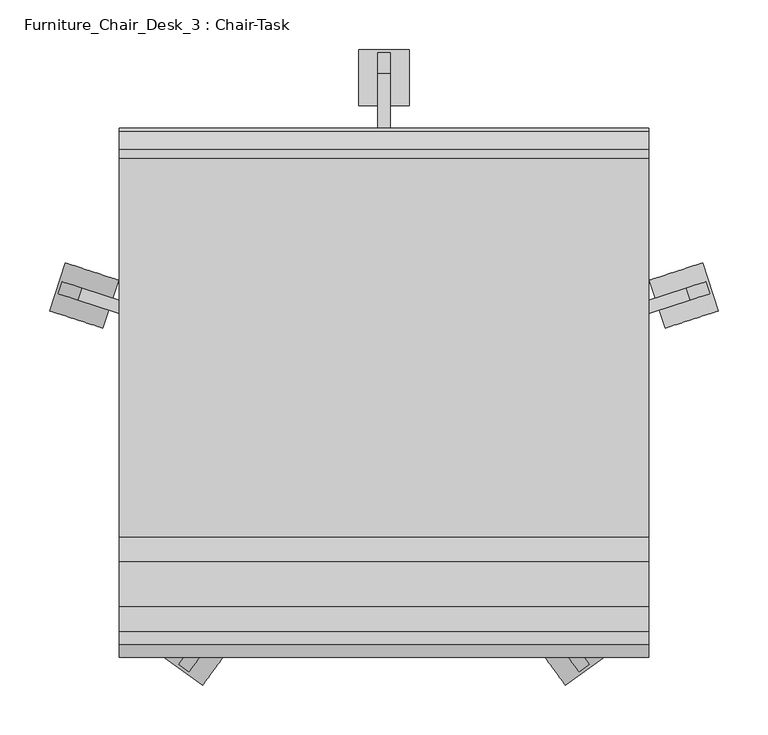
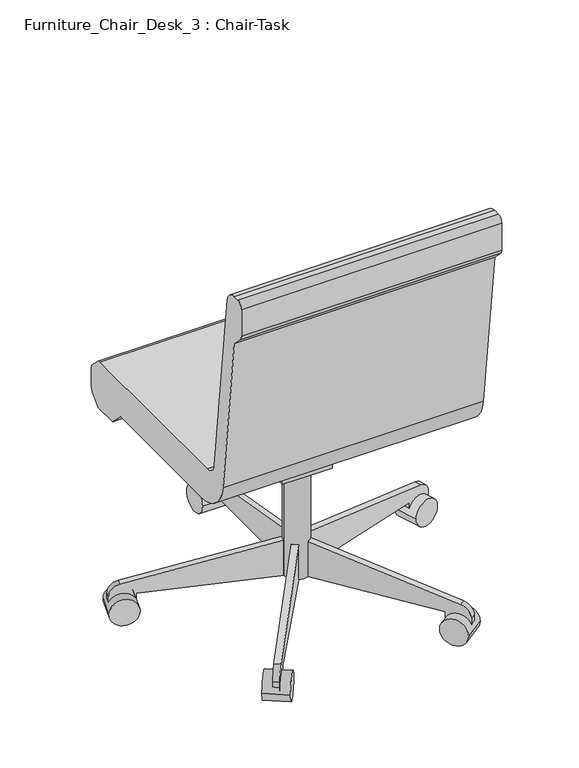
"""IFC4 building model written with IfcOpenShell, lengths in millimetres: furniture geometry, Furniture_Chair_Desk_3 : Chair-Task."""

from ifc_helpers import new_model, si_unit, point, frame, frame_2d, origin, place, context, project, spatial, polyline, circle_curve, trimmed, segment, composite_curve, outline, extrude, source, transform, mapped, element, save


def furniture_chair_desk_3_chair_task_b7f3823b(model_context):
    return source(origin(), model_context, "Body", "SweptSolid", [
        extrude(outline(composite_curve([segment(trimmed(circle_curve(frame_2d((140.9908197, 18.9459016)), 25.4), [point((115.5908197, 18.9459016))], [point((166.3908197, 18.9459016))], False, "CARTESIAN"), True, "CONTINUOUS"), segment(trimmed(circle_curve(frame_2d((140.9908197, 18.9459016)), 25.4), [point((166.3908197, 18.9459016))], [point((115.5908197, 18.9459016))], False, "CARTESIAN"), True, "CONTINUOUS")], self_intersect=False)), frame((0.0, 0.0, 53.5835944), z_axis=(0.0, 0.0, 1.0), x_axis=(1.0, 0.0, 0.0)), (0.0, 0.0, 1.0), 330.5914056),
        extrude(outline(composite_curve([segment(trimmed(circle_curve(frame_2d((0.0, -28.2002727)), 28.2002727), [point((0.0, -56.4005455))], [point((0.0, 0.0))], False, "CARTESIAN"), True, "CONTINUOUS"), segment(trimmed(circle_curve(frame_2d((0.0, -28.2002727)), 28.2002727), [point((0.0, 0.0))], [point((0.0, -56.4005455))], False, "CARTESIAN"), True, "CONTINUOUS")], self_intersect=False)), frame((477.6203484, 101.6163254, 28.1835944), z_axis=(-0.3090169943749423, 0.9510565162951553, 0.0), x_axis=(0.0, 0.0, 1.0)), (0.0, 0.0, 1.0), 50.8),
        extrude(outline(composite_curve([segment(polyline([(-25.4, 0.0), (0.0, 0.0), (0.0, -50.8), (-24.303053, -50.8)]), True, "CONTINUOUS"), segment(trimmed(circle_curve(frame_2d((-24.303053, -25.4)), 25.4), [point((-24.303053, -50.8))], [point((-49.3171699, -29.8106637))], False, "CARTESIAN"), True, "CONTINUOUS"), segment(polyline([(-49.3171699, -29.8106637), (-101.6, 266.7), (-101.6, 292.1), (-25.4, 292.1), (-25.4, 0.0)]), True, "CONTINUOUS")], self_intersect=False)), frame((420.756686, 103.1705568, 28.1835944), z_axis=(-0.3090169943749423, 0.9510565162951553, 0.0), x_axis=(0.0, 0.0, -1.0)), (0.0, 0.0, 1.0), 12.7),
        extrude(outline(composite_curve([segment(trimmed(circle_curve(frame_2d((0.0, -28.2002727)), 28.2002727), [point((0.0, -56.4005455))], [point((0.0, 0.0))], False, "CARTESIAN"), True, "CONTINUOUS"), segment(trimmed(circle_curve(frame_2d((0.0, -28.2002727)), 28.2002727), [point((0.0, 0.0))], [point((0.0, -56.4005455))], False, "CARTESIAN"), True, "CONTINUOUS")], self_intersect=False)), frame((323.63931, -275.6612394, 28.1835944), z_axis=(0.8090169943749499, 0.5877852522924699, 0.0), x_axis=(0.0, 0.0, 1.0)), (0.0, 0.0, 1.0), 50.8),
        extrude(outline(composite_curve([segment(polyline([(-25.4, 0.0), (0.0, 0.0), (0.0, -50.8), (-24.303053, -50.8)]), True, "CONTINUOUS"), segment(trimmed(circle_curve(frame_2d((-24.303053, -25.3999999)), 25.4), [point((-24.303053, -50.8))], [point((-49.3171699, -29.8106636))], False, "CARTESIAN"), True, "CONTINUOUS"), segment(polyline([(-49.3171699, -29.8106636), (-101.6, 266.7), (-101.6, 292.1), (-25.4, 292.1), (-25.4, 0.0)]), True, "CONTINUOUS")], self_intersect=False)), frame((307.545634, -221.1003988, 28.1835944), z_axis=(0.8090169943749499, 0.5877852522924699, 0.0), x_axis=(0.0, 0.0, -1.0)), (0.0, 0.0, 1.0), 12.7),
        extrude(outline(composite_curve([segment(trimmed(circle_curve(frame_2d((0.0, -28.2002727)), 28.2002727), [point((0.0, -56.4005455))], [point((0.0, 0.0))], False, "CARTESIAN"), True, "CONTINUOUS"), segment(trimmed(circle_curve(frame_2d((0.0, -28.2002727)), 28.2002727), [point((0.0, 0.0))], [point((0.0, -56.4005455))], False, "CARTESIAN"), True, "CONTINUOUS")], self_intersect=False)), frame((-41.6576707, -275.6612394, 28.1835944), z_axis=(-0.8090169943749458, 0.5877852522924754, 0.0), x_axis=(0.0, 0.0, -1.0)), (0.0, 0.0, 1.0), 50.8),
        extrude(outline(composite_curve([segment(polyline([(25.4, 0.0), (25.4, 292.1), (101.6, 292.1), (101.6, 266.7), (49.3171699, -29.8106637)]), True, "CONTINUOUS"), segment(trimmed(circle_curve(frame_2d((24.303053, -25.3999999)), 25.4), [point((49.3171699, -29.8106637))], [point((24.303053, -50.8))], False, "CARTESIAN"), True, "CONTINUOUS"), segment(polyline([(24.303053, -50.8), (0.0, -50.8), (0.0, 0.0), (25.4, 0.0)]), True, "CONTINUOUS")], self_intersect=False)), frame((-25.5639946, -221.1003988, 28.1835944), z_axis=(-0.8090169943749459, 0.5877852522924754, 0.0), x_axis=(0.0, 0.0, 1.0)), (0.0, 0.0, 1.0), 12.7),
        extrude(outline(composite_curve([segment(trimmed(circle_curve(frame_2d((0.0, -28.2002727)), 28.2002727), [point((0.0, -56.4005454))], [point((0.0, 0.0))], False, "CARTESIAN"), True, "CONTINUOUS"), segment(trimmed(circle_curve(frame_2d((0.0, -28.2002727)), 28.2002727), [point((0.0, 0.0))], [point((0.0, -56.4005454))], False, "CARTESIAN"), True, "CONTINUOUS")], self_intersect=False)), frame((-195.638709, 101.6163254, 28.1835944), z_axis=(0.3090169943749487, 0.9510565162951532, 0.0), x_axis=(0.0, 0.0, -1.0)), (0.0, 0.0, 1.0), 50.8),
        extrude(outline(composite_curve([segment(polyline([(25.4, 0.0), (25.4, 292.1000001), (101.6, 292.1000001), (101.6, 266.7), (49.3171699, -29.8106636)]), True, "CONTINUOUS"), segment(trimmed(circle_curve(frame_2d((24.303053, -25.4)), 25.4), [point((49.3171699, -29.8106636))], [point((24.303053, -50.8))], False, "CARTESIAN"), True, "CONTINUOUS"), segment(polyline([(24.303053, -50.8), (0.0, -50.8), (0.0, 0.0), (25.4, 0.0)]), True, "CONTINUOUS")], self_intersect=False)), frame((-138.7750467, 103.1705568, 28.1835944), z_axis=(0.3090169943749487, 0.9510565162951532, 0.0), x_axis=(0.0, 0.0, 1.0)), (0.0, 0.0, 1.0), 12.7),
        extrude(outline(composite_curve([segment(trimmed(circle_curve(frame_2d((336.4459016, 28.1835944)), 28.2002727), [point((308.2456289, 28.1835944))], [point((364.6461744, 28.1835944))], False, "CARTESIAN"), True, "CONTINUOUS"), segment(trimmed(circle_curve(frame_2d((336.4459016, 28.1835944)), 28.2002727), [point((364.6461744, 28.1835944))], [point((308.2456289, 28.1835944))], False, "CARTESIAN"), True, "CONTINUOUS")], self_intersect=False)), frame((115.5908197, 0.0, 0.0), z_axis=(1.0, 0.0, 0.0), x_axis=(0.0, 1.0, 0.0)), (0.0, 0.0, 1.0), 50.8),
        extrude(outline(composite_curve([segment(polyline([(311.0459016, 53.5835944), (18.9459016, 53.5835944), (18.9459016, 129.7835944), (44.3459016, 129.7835944), (340.8565654, 77.5007643)]), True, "CONTINUOUS"), segment(trimmed(circle_curve(frame_2d((336.4459016, 52.4866474)), 25.4), [point((340.8565654, 77.5007643))], [point((361.8459016, 52.4866474))], False, "CARTESIAN"), True, "CONTINUOUS"), segment(polyline([(361.8459016, 52.4866474), (361.8459016, 28.1835944), (311.0459016, 28.1835944), (311.0459016, 53.5835944)]), True, "CONTINUOUS")], self_intersect=False)), frame((134.6408197, 0.0, 0.0), z_axis=(1.0, 0.0, 0.0), x_axis=(0.0, 1.0, 0.0)), (0.0, 0.0, 1.0), 12.7),
        extrude(outline(polyline([(69.7459016, 383.7835944), (69.7459016, 371.0835944), (18.9459016, 283.0954134), (-19.1540984, 283.0954134), (-19.1540984, 383.7835944), (69.7459016, 383.7835944)])), frame((90.1908197, 0.0, 0.0), z_axis=(1.0, 0.0, 0.0), x_axis=(0.0, 1.0, 0.0)), (0.0, 0.0, 1.0), 101.6),
        extrude(outline(composite_curve([segment(polyline([(-126.2050455, 457.2), (255.0102301, 457.2)]), True, "CONTINUOUS"), segment(trimmed(circle_curve(frame_2d((255.0102301, 444.5)), 12.7), [point((255.0102301, 457.2))], [point((263.9604301, 453.510212))], False, "CARTESIAN"), True, "CONTINUOUS"), segment(polyline([(263.9604301, 453.510212), (281.8961016, 435.6939999)]), True, "CONTINUOUS"), segment(trimmed(circle_curve(frame_2d((272.9459016, 426.6837879)), 12.7), [point((281.8961016, 435.6939999))], [point((285.6459016, 426.6837879))], False, "CARTESIAN"), True, "CONTINUOUS"), segment(polyline([(285.6459016, 426.6837879), (285.6459016, 391.6405184)]), True, "CONTINUOUS"), segment(trimmed(circle_curve(frame_2d((260.2459016, 391.6405184)), 25.4), [point((285.6459016, 391.6405184))], [point((278.2663256, 373.7401184))], False, "CARTESIAN"), True, "CONTINUOUS"), segment(polyline([(278.2663256, 373.7401184), (260.2470284, 355.6), (209.4470284, 355.6), (181.0744602, 383.7835944), (-107.1089978, 383.7835944)]), True, "CONTINUOUS"), segment(trimmed(circle_curve(frame_2d((-107.1089978, 459.9835944)), 76.2), [point((-107.1089978, 383.7835944))], [point((-182.7870738, 451.0802913))], False, "CARTESIAN"), True, "CONTINUOUS"), segment(polyline([(-182.7870738, 451.0802913), (-222.3540984, 787.4), (-244.0343545, 809.0802561)]), True, "CONTINUOUS"), segment(trimmed(circle_curve(frame_2d((-235.0540984, 818.0605122)), 12.7), [point((-244.0343545, 809.0802561))], [point((-247.7540984, 818.0605122))], False, "CARTESIAN"), True, "CONTINUOUS"), segment(polyline([(-247.7540984, 818.0605122), (-247.7540984, 876.3)]), True, "CONTINUOUS"), segment(trimmed(circle_curve(frame_2d((-235.0540984, 876.3)), 12.7), [point((-247.7540984, 876.3))], [point((-235.0540984, 889.0))], False, "CARTESIAN"), True, "CONTINUOUS"), segment(polyline([(-235.0540984, 889.0), (-222.1789239, 889.0)]), True, "CONTINUOUS"), segment(trimmed(circle_curve(frame_2d((-222.1789239, 863.6)), 25.4), [point((-222.1789239, 889.0))], [point((-196.9528985, 866.5677677))], False, "CARTESIAN"), True, "CONTINUOUS"), segment(polyline([(-196.9528985, 866.5677677), (-151.4310708, 479.6322323)]), True, "CONTINUOUS"), segment(trimmed(circle_curve(frame_2d((-126.2050455, 482.6)), 25.4), [point((-151.4310708, 479.6322323))], [point((-126.2050455, 457.2))], True, "CARTESIAN"), True, "CONTINUOUS")], self_intersect=False)), frame((-125.7091803, 0.0, 0.0), z_axis=(1.0, 0.0, 0.0), x_axis=(0.0, 1.0, 0.0)), (0.0, 0.0, 1.0), 533.4),
    ])


if __name__ == "__main__":
    model = new_model("IFC4")
    model_context = context("Model", 3, world=origin())
    ifc_project = project(units=[si_unit("LENGTHUNIT", "METRE", prefix="MILLI")], contexts=[model_context])
    site = spatial("IfcSite", under=ifc_project)
    building = spatial("IfcBuilding", under=site)
    placement = place(None, origin())
    furniture_chair_desk_3_chair_task_shape = furniture_chair_desk_3_chair_task_b7f3823b(model_context)
    element("IfcFurniture", 1, ObjectType="Furniture_Chair_Desk_3 : Chair-Task", at=placement, inside=building, context=model_context, shape_type="MappedRepresentation", body=[
        mapped(furniture_chair_desk_3_chair_task_shape, transform((0.0, 0.0, 0.0), x_axis=(1.0, 0.0, 0.0), y_axis=(0.0, 1.0, 0.0), z_axis=(0.0, 0.0, 1.0))),
    ])
    save(model, "model.ifc")
